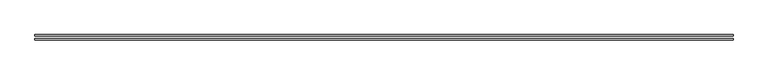
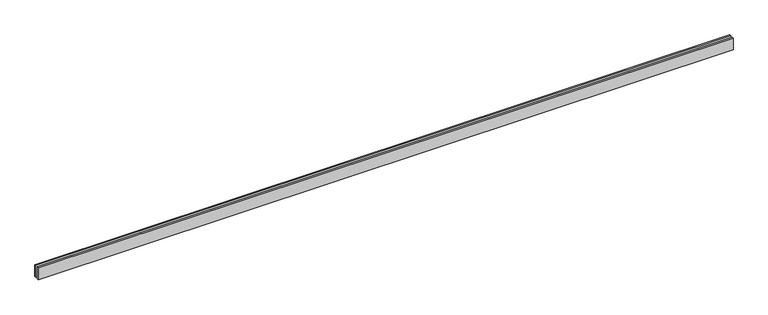
"""IFC4 building model written with IfcOpenShell, lengths in millimetres: proxy geometry."""

from ifc_helpers import new_model, si_unit, origin, origin_with_axes, place, context, project, spatial, polyline, outline, extrude, source, transform, mapped, element, save


def generic_models_452ba7fe(model_context):
    return source(origin(), model_context, "Body", "SweptSolid", [
        extrude(outline(polyline([(13813.2034356, 25.0), (0.0, 25.0), (0.0, 55.0), (13813.2034356, 55.0), (13813.2034356, 25.0)])), origin_with_axes(), (0.0, 0.0, 1.0), 250.0),
        extrude(outline(polyline([(13813.2034356, -55.0), (0.0, -55.0), (0.0, -25.0), (13813.2034356, -25.0), (13813.2034356, -55.0)])), origin_with_axes(), (0.0, 0.0, 1.0), 250.0),
    ])


if __name__ == "__main__":
    model = new_model("IFC4")
    model_context = context("Model", 3, world=origin())
    ifc_project = project(units=[si_unit("LENGTHUNIT", "METRE", prefix="MILLI")], contexts=[model_context])
    site = spatial("IfcSite", under=ifc_project)
    building = spatial("IfcBuilding", under=site)
    placement = place(None, origin())
    generic_models_shape = generic_models_452ba7fe(model_context)
    element("IfcBuildingElementProxy", 1, Name="Generic Models", at=placement, inside=building, context=model_context, shape_type="MappedRepresentation", body=[
        mapped(generic_models_shape, transform((0.0, 0.0, 0.0), x_axis=(1.0, 0.0, 0.0), y_axis=(0.0, 1.0, 0.0), z_axis=(0.0, 0.0, 1.0))),
    ])
    save(model, "model.ifc")
